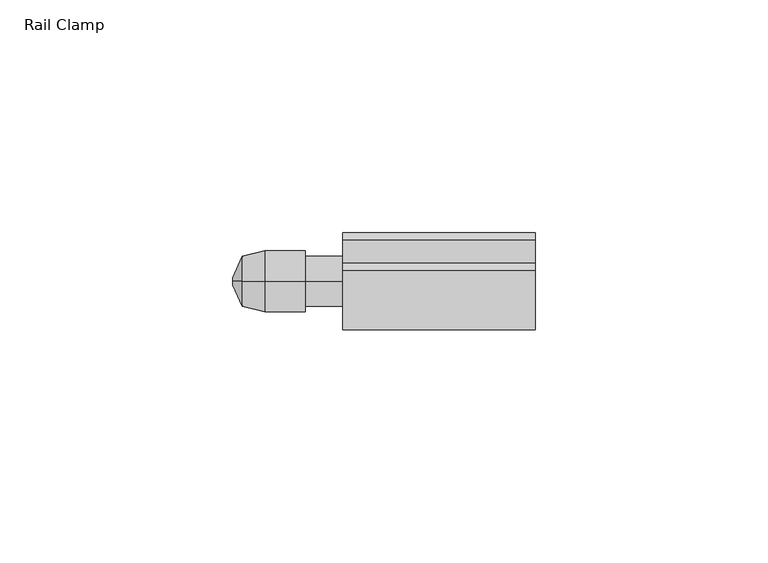
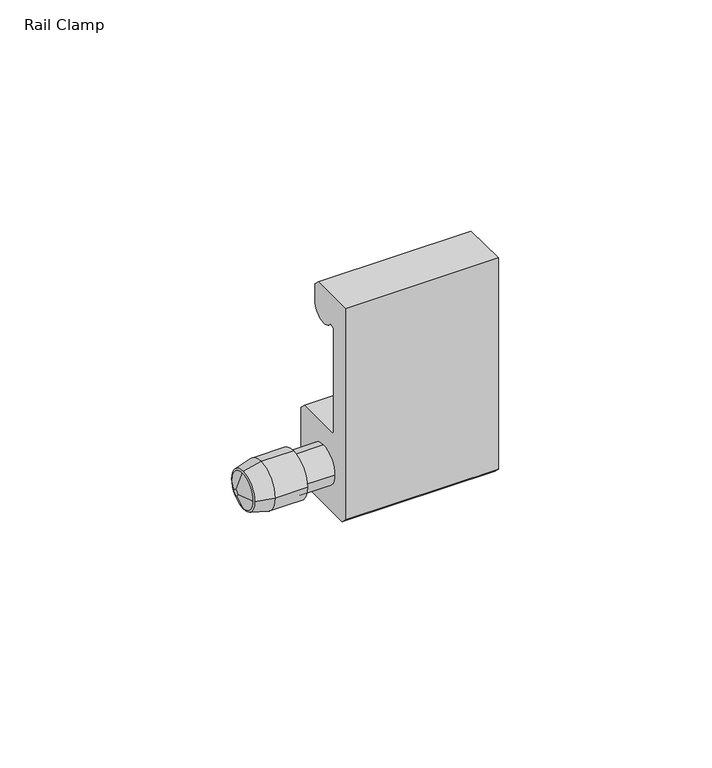
"""IFC4 building model written with IfcOpenShell, lengths in millimetres: furniture geometry, Rail Clamp."""

from ifc_helpers import new_model, si_unit, frame, origin, place, context, project, spatial, polyline, circle_curve, source, transform, mapped, element, save
from ifc_brep_helpers import plane_surface, cylinder_surface, revolved_surface, advanced_brep


def rail_clamp_02915167(model_context):
    return source(origin(), model_context, "Body", "AdvancedBrep", [
        advanced_brep(
        [(-42.2627645, -46.5617724, 1159.0443035), (-42.2627645, -41.2023724, 1164.4037035), (-42.2627645, -35.8429724, 1159.0443035), (-42.2627645, -41.2023724, 1153.6849035), (-37.4502448, -47.7301724, 1159.0443035), (-37.4502448, -41.2023724, 1152.5165035), (-37.4502448, -34.6745724, 1159.0443035), (-37.4502448, -41.2023724, 1165.5721035)],
        [
            (0, 1, circle_curve(frame((-42.2627645, -41.2023724, 1159.0443035), z_axis=(-1.0, 0.0, 3.1782723582535994e-12), x_axis=(0.0, -1.0, 7.182660263663921e-12)), 5.3594)),
            (1, 2, circle_curve(frame((-42.2627645, -41.2023724, 1159.0443035), z_axis=(-1.0, -3.1905776162778116e-12, 0.0), x_axis=(0.0, -7.42159956678814e-12, 1.0)), 5.3594)),
            (2, 3, circle_curve(frame((-42.2627645, -41.2023724, 1159.0443035), z_axis=(-1.0, 0.0, 1.6031993311544706e-12), x_axis=(0.0, 1.0, 6.60341346820409e-12)), 5.3594)),
            (3, 0, circle_curve(frame((-42.2627645, -41.2023724, 1159.0443035), z_axis=(-1.0, -1.5926519671337174e-12, 0.0), x_axis=(0.0, -6.5527293735887335e-12, -1.0)), 5.3594)),
            (4, 5, circle_curve(frame((-37.4502448, -41.2023724, 1159.0443035), z_axis=(1.0, 1.5926519671337174e-12, 0.0), x_axis=(0.0, -6.5527293735887335e-12, -1.0)), 6.5278)),
            (5, 6, circle_curve(frame((-37.4502448, -41.2023724, 1159.0443035), z_axis=(1.0, 0.0, -1.6031993311544706e-12), x_axis=(0.0, 1.0, 6.60341346820409e-12)), 6.5278)),
            (6, 7, circle_curve(frame((-37.4502448, -41.2023724, 1159.0443035), z_axis=(1.0, 3.1905776162778116e-12, 0.0), x_axis=(0.0, -7.42159956678814e-12, 1.0)), 6.5278)),
            (7, 4, circle_curve(frame((-37.4502448, -41.2023724, 1159.0443035), z_axis=(1.0, 0.0, -3.1782723582535994e-12), x_axis=(0.0, -1.0, 7.182660263663921e-12)), 6.5278)),
            (4, 0),
            (3, 5),
            (2, 6),
            (1, 7),
        ],
        [
            plane_surface(frame((-42.2627645, -41.2023724, 1159.0443035), z_axis=(-1.0, 0.0, 0.0), x_axis=(0.0, 0.0, -1.0))),
            plane_surface(frame((-37.4502448, -41.2023724, 1159.0443035), z_axis=(1.0, 0.0, 0.0), x_axis=(0.0, 0.0, -1.0))),
            revolved_surface(polyline([(-42.262764500008544, -41.2023724, 1153.6849035097323), (-37.4502448, -41.2023724, 1152.5165035)]), (-64.3375829, -41.2023724, 1159.0443035), (1.0, 1.5926519671337174e-12, 0.0)),
            revolved_surface(polyline([(-42.2627645, -35.84297240973024, 1159.0443035), (-37.450244799989534, -34.67457239999746, 1159.0443035)]), (-64.3375829, -41.2023724, 1159.0443035), (1.0, 0.0, -1.6031993311544706e-12)),
            revolved_surface(polyline([(-42.2627645, -41.2023724, 1164.4037034902697), (-37.450244799979174, -41.2023724, 1165.572103500005)]), (-64.3375829, -41.2023724, 1159.0443035), (1.0, 3.1905776162778116e-12, 0.0)),
            revolved_surface(polyline([(-42.26276450001704, -46.56177239026563, 1159.0443035), (-37.4502448, -47.7301724, 1159.0443035)]), (-64.3375829, -41.2023724, 1159.0443035), (1.0, 0.0, -3.1782723582535994e-12)),
        ],
        [
            (0, [[1, 2, 3, 4]]),
            (1, [[5, 6, 7, 8]]),
            (2, [[-5, 9, -4, 10]]),
            (3, [[-6, -10, -3, 11]]),
            (4, [[-7, -11, -2, 12]]),
            (5, [[-8, -12, -1, -9]]),
        ],
    ),
        advanced_brep(
        [(-20.6375, -30.8010724, 1149.3499982), (-20.6375, -32.3758712, 1147.7752), (-20.6375, -50.0288731, 1147.7752), (-20.6375, -51.6036724, 1149.3499982), (-20.6375, -51.6036724, 1209.6242), (-20.6375, -38.9100224, 1209.6242), (-20.6375, -37.3352224, 1208.0493995), (-20.6375, -37.3352224, 1203.2996001), (-20.6375, -44.603154, 1201.1146341), (-20.6375, -46.0474222, 1200.6804422), (-20.6375, -46.0474222, 1170.9460319), (-20.6375, -45.4521097, 1170.3507194), (-20.6375, -32.3758724, 1170.3507194), (-20.6375, -30.8010724, 1168.77592), (-20.6375, -46.5617724, 1159.0443035), (-20.6375, -41.2023724, 1153.6849035), (-20.6375, -35.8429724, 1159.0443035), (-20.6375, -41.2023724, 1164.4037035), (20.6375, -30.8010724, 1149.3499982), (20.6375, -30.8010724, 1168.77592), (20.6375, -32.3758724, 1170.3507194), (20.6375, -45.4521097, 1170.3507194), (20.6375, -46.0474222, 1170.9460319), (20.6375, -46.0474222, 1200.6804422), (20.6375, -44.603154, 1201.1146341), (20.6375, -37.3352224, 1203.2996001), (20.6375, -37.3352224, 1208.0493995), (20.6375, -38.9100224, 1209.6242), (20.6375, -51.6036724, 1209.6242), (20.6375, -51.6036724, 1149.3499982), (20.6375, -50.0288731, 1147.7752), (20.6375, -32.3758712, 1147.7752), (-28.6997615, -46.5617724, 1159.0443035), (-28.6997615, -41.2023724, 1153.6849035), (-28.6997615, -35.8429724, 1159.0443035), (-28.6997615, -41.2023724, 1164.4037035), (-28.6997615, -47.7301724, 1159.0443035), (-28.6997615, -41.2023724, 1152.5165035), (-28.6997615, -34.6745724, 1159.0443035), (-28.6997615, -41.2023724, 1165.5721035), (-37.4502448, -47.7301724, 1159.0443035), (-37.4502448, -41.2023724, 1165.5721035), (-37.4502448, -34.6745724, 1159.0443035), (-37.4502448, -41.2023724, 1152.5165035)],
        [
            (0, 1),
            (1, 2),
            (2, 3),
            (3, 4),
            (4, 5),
            (5, 6),
            (6, 7),
            (7, 8, circle_curve(frame((-20.6375, -41.2976225, 1203.2996001), z_axis=(-1.0, 0.0, 0.0), x_axis=(0.0, 1.0, 0.0)), 3.9624001)),
            (8, 9),
            (9, 10),
            (10, 11),
            (11, 12),
            (12, 13),
            (13, 0),
            (14, 15, circle_curve(frame((-20.6375, -41.2023724, 1159.0443035), z_axis=(1.0, 0.0, 0.0), x_axis=(0.0, 1.0, 0.0)), 5.3594)),
            (15, 16, circle_curve(frame((-20.6375, -41.2023724, 1159.0443035), z_axis=(1.0, 0.0, 0.0), x_axis=(0.0, 1.0, 0.0)), 5.3594)),
            (16, 17, circle_curve(frame((-20.6375, -41.2023724, 1159.0443035), z_axis=(1.0, 0.0, 0.0), x_axis=(0.0, 1.0, 0.0)), 5.3594)),
            (17, 14, circle_curve(frame((-20.6375, -41.2023724, 1159.0443035), z_axis=(1.0, 0.0, 0.0), x_axis=(0.0, 1.0, 0.0)), 5.3594)),
            (18, 19),
            (19, 20),
            (20, 21),
            (21, 22),
            (22, 23),
            (23, 24),
            (24, 25, circle_curve(frame((20.6375, -41.2976225, 1203.2996001), z_axis=(1.0, 0.0, 0.0), x_axis=(0.0, 1.0, 0.0)), 3.9624001)),
            (25, 26),
            (26, 27),
            (27, 28),
            (28, 29),
            (29, 30),
            (30, 31),
            (31, 18),
            (0, 18),
            (31, 1),
            (30, 2),
            (29, 3),
            (28, 4),
            (27, 5),
            (26, 6),
            (25, 7),
            (24, 8),
            (23, 9),
            (22, 10),
            (21, 11),
            (20, 12),
            (19, 13),
            (14, 32),
            (32, 33, circle_curve(frame((-28.6997615, -41.2023724, 1159.0443035), z_axis=(1.0, 0.0, 0.0), x_axis=(0.0, 1.0, 0.0)), 5.3594)),
            (33, 15),
            (33, 34, circle_curve(frame((-28.6997615, -41.2023724, 1159.0443035), z_axis=(1.0, 0.0, 0.0), x_axis=(0.0, 1.0, 0.0)), 5.3594)),
            (34, 16),
            (34, 35, circle_curve(frame((-28.6997615, -41.2023724, 1159.0443035), z_axis=(1.0, 0.0, 0.0), x_axis=(0.0, 1.0, 0.0)), 5.3594)),
            (35, 17),
            (35, 32, circle_curve(frame((-28.6997615, -41.2023724, 1159.0443035), z_axis=(1.0, 0.0, 0.0), x_axis=(0.0, 1.0, 0.0)), 5.3594)),
            (36, 37, circle_curve(frame((-28.6997615, -41.2023724, 1159.0443035), z_axis=(1.0, 0.0, 0.0), x_axis=(0.0, 1.0, 0.0)), 6.5278)),
            (37, 38, circle_curve(frame((-28.6997615, -41.2023724, 1159.0443035), z_axis=(1.0, 0.0, 0.0), x_axis=(0.0, 1.0, 0.0)), 6.5278)),
            (38, 39, circle_curve(frame((-28.6997615, -41.2023724, 1159.0443035), z_axis=(1.0, 0.0, 0.0), x_axis=(0.0, 1.0, 0.0)), 6.5278)),
            (39, 36, circle_curve(frame((-28.6997615, -41.2023724, 1159.0443035), z_axis=(1.0, 0.0, 0.0), x_axis=(0.0, 1.0, 0.0)), 6.5278)),
            (40, 41, circle_curve(frame((-37.4502448, -41.2023724, 1159.0443035), z_axis=(-1.0, 0.0, 0.0), x_axis=(0.0, 1.0, 0.0)), 6.5278)),
            (41, 42, circle_curve(frame((-37.4502448, -41.2023724, 1159.0443035), z_axis=(-1.0, 0.0, 0.0), x_axis=(0.0, 1.0, 0.0)), 6.5278)),
            (42, 43, circle_curve(frame((-37.4502448, -41.2023724, 1159.0443035), z_axis=(-1.0, 0.0, 0.0), x_axis=(0.0, 1.0, 0.0)), 6.5278)),
            (43, 40, circle_curve(frame((-37.4502448, -41.2023724, 1159.0443035), z_axis=(-1.0, 0.0, 0.0), x_axis=(0.0, 1.0, 0.0)), 6.5278)),
            (36, 40),
            (43, 37),
            (42, 38),
            (41, 39),
        ],
        [
            plane_surface(frame((-20.6375, -41.2023724, 1209.6242), z_axis=(-1.0, 0.0, 0.0), x_axis=(0.0, 0.0, 1.0))),
            plane_surface(frame((20.6375, -41.2023724, 1209.6242), z_axis=(1.0, 0.0, 0.0), x_axis=(0.0, 0.0, 1.0))),
            plane_surface(frame((-20.6375, -30.8010724, 1149.3499982), z_axis=(0.0, 0.7071066537262837, -0.7071069086467884), x_axis=(1.0, 0.0, 0.0))),
            plane_surface(frame((-20.6375, -32.3758712, 1147.7752), z_axis=(0.0, 0.0, -1.0), x_axis=(1.0, 0.0, 0.0))),
            plane_surface(frame((-20.6375, -50.0288731, 1147.7752), z_axis=(0.0, -0.7071065262660429, -0.7071070361069604), x_axis=(1.0, 0.0, 0.0))),
            plane_surface(frame((-20.6375, -51.6036724, 1149.3499982), z_axis=(0.0, -1.0, 0.0), x_axis=(1.0, 0.0, 0.0))),
            plane_surface(frame((-20.6375, -51.6036724, 1209.6242), z_axis=(0.0, 0.0, 1.0), x_axis=(1.0, 0.0, 0.0))),
            plane_surface(frame((-20.6375, -38.9100224, 1209.6242), z_axis=(0.0, 0.7071069046636025, 0.707106657709471), x_axis=(1.0, 0.0, 0.0))),
            plane_surface(frame((-20.6375, -37.3352224, 1208.0493995), z_axis=(0.0, 1.0, 0.0), x_axis=(1.0, 0.0, 0.0))),
            cylinder_surface(frame((-20.6375, -41.2976225, 1203.2996001), z_axis=(-1.0, 0.0, 0.0), x_axis=(0.0, 1.0, 0.0)), 3.9624001),
            plane_surface(frame((-20.6375, -44.603154, 1201.1146341), z_axis=(0.0, 0.2879022867565173, -0.9576597899464967), x_axis=(1.0, 0.0, 0.0))),
            plane_surface(frame((-20.6375, -46.0474222, 1200.6804422), z_axis=(0.0, 1.0, 0.0), x_axis=(1.0, 0.0, 0.0))),
            plane_surface(frame((-20.6375, -46.0474222, 1170.9460319), z_axis=(0.0, 0.7071067811865476, 0.7071067811865476), x_axis=(1.0, 0.0, 0.0))),
            plane_surface(frame((-20.6375, -45.4521097, 1170.3507194), z_axis=(0.0, 0.0, 1.0), x_axis=(1.0, 0.0, 0.0))),
            plane_surface(frame((-20.6375, -32.3758724, 1170.3507194), z_axis=(0.0, 0.7071066537262837, 0.7071069086467885), x_axis=(1.0, 0.0, 0.0))),
            plane_surface(frame((-20.6375, -30.8010724, 1168.77592), z_axis=(0.0, 1.0, 0.0), x_axis=(1.0, 0.0, 0.0))),
            cylinder_surface(frame((-28.6997615, -41.2023724, 1159.0443035), z_axis=(1.0, 0.0, 0.0), x_axis=(0.0, 1.0, 0.0)), 5.3594),
            plane_surface(frame((-28.6997615, -34.6745724, 1159.0443035), z_axis=(1.0, 0.0, 0.0), x_axis=(0.0, 0.0, 1.0))),
            plane_surface(frame((-37.4502448, -34.6745724, 1159.0443035), z_axis=(-1.0, 0.0, 0.0), x_axis=(0.0, 0.0, -1.0))),
            cylinder_surface(frame((-37.4502448, -41.2023724, 1159.0443035), z_axis=(1.0, 0.0, 0.0), x_axis=(0.0, 1.0, 0.0)), 6.5278),
        ],
        [
            (0, [[1, 2, 3, 4, 5, 6, 7, 8, 9, 10, 11, 12, 13, 14], [15, 16, 17, 18]]),
            (1, [[19, 20, 21, 22, 23, 24, 25, 26, 27, 28, 29, 30, 31, 32]]),
            (2, [[-1, 33, -32, 34]]),
            (3, [[-2, -34, -31, 35]]),
            (4, [[-3, -35, -30, 36]]),
            (5, [[-4, -36, -29, 37]]),
            (6, [[-5, -37, -28, 38]]),
            (7, [[-6, -38, -27, 39]]),
            (8, [[-7, -39, -26, 40]]),
            (9, [[-8, -40, -25, 41]]),
            (10, [[-9, -41, -24, 42]]),
            (11, [[-10, -42, -23, 43]]),
            (12, [[-11, -43, -22, 44]]),
            (13, [[-12, -44, -21, 45]]),
            (14, [[-13, -45, -20, 46]]),
            (15, [[-14, -46, -19, -33]]),
            (16, [[47, 48, 49, -15]]),
            (16, [[-49, 50, 51, -16]]),
            (16, [[-51, 52, 53, -17]]),
            (16, [[-47, -18, -53, 54]]),
            (17, [[55, 56, 57, 58], [-48, -54, -52, -50]]),
            (18, [[59, 60, 61, 62]]),
            (19, [[-55, 63, -62, 64]]),
            (19, [[-56, -64, -61, 65]]),
            (19, [[-57, -65, -60, 66]]),
            (19, [[-58, -66, -59, -63]]),
        ],
    ),
        advanced_brep(
        [(-44.2561748, -41.9961224, 1159.0443035), (-44.2561748, -41.2023724, 1159.8380535), (-44.2561748, -40.4086224, 1159.0443035), (-44.2561748, -41.2023724, 1158.2505535), (-42.2627645, -46.5617724, 1159.0443035), (-42.2627645, -41.2023724, 1153.6849035), (-42.2627645, -35.8429724, 1159.0443035), (-42.2627645, -41.2023724, 1164.4037035)],
        [
            (0, 1, circle_curve(frame((-44.2561748, -41.2023724, 1159.0443035), z_axis=(-1.0, 0.0, -1.0864468079069553e-12), x_axis=(0.0, -1.0, 0.0)), 0.79375)),
            (1, 2, circle_curve(frame((-44.2561748, -41.2023724, 1159.0443035), z_axis=(-1.0, 1.1203982706540478e-12, 0.0), x_axis=(0.0, 0.0, 1.0)), 0.79375)),
            (2, 3, circle_curve(frame((-44.2561748, -41.2023724, 1159.0443035), z_axis=(-1.0, 0.0, 3.870466753168528e-12), x_axis=(0.0, 1.0, 1.6898860614044648e-12)), 0.79375)),
            (3, 0, circle_curve(frame((-44.2561748, -41.2023724, 1159.0443035), z_axis=(-1.0, -3.92988181297594e-12, 0.0), x_axis=(0.0, -1.710268459075691e-12, -1.0)), 0.79375)),
            (4, 5, circle_curve(frame((-42.2627645, -41.2023724, 1159.0443035), z_axis=(1.0, 3.92988181297594e-12, 0.0), x_axis=(0.0, -1.710268459075691e-12, -1.0)), 5.3594)),
            (5, 6, circle_curve(frame((-42.2627645, -41.2023724, 1159.0443035), z_axis=(1.0, 0.0, -3.870466753168528e-12), x_axis=(0.0, 1.0, 1.6898860614044648e-12)), 5.3594)),
            (6, 7, circle_curve(frame((-42.2627645, -41.2023724, 1159.0443035), z_axis=(1.0, -1.1203982706540478e-12, 0.0), x_axis=(0.0, 0.0, 1.0)), 5.3594)),
            (7, 4, circle_curve(frame((-42.2627645, -41.2023724, 1159.0443035), z_axis=(1.0, 0.0, 1.0864468079069553e-12), x_axis=(0.0, -1.0, 0.0)), 5.3594)),
            (0, 4),
            (7, 1),
            (6, 2),
            (5, 3),
        ],
        [
            plane_surface(frame((-44.2561748, -41.2023724, 1159.0443035), z_axis=(-1.0, 0.0, 0.0), x_axis=(0.0, -1.0, 0.0))),
            plane_surface(frame((-42.2627645, -41.2023724, 1159.0443035), z_axis=(1.0, 0.0, 0.0), x_axis=(0.0, -1.0, 0.0))),
            revolved_surface(polyline([(-44.2561748, -41.99612238100404, 1159.0443035), (-42.26276449999418, -46.56177240001334, 1159.0443035)]), (-44.6027343, -41.2023724, 1159.0443035), (1.0, 0.0, 1.0864468079069553e-12)),
            revolved_surface(polyline([(-44.256174800000885, -41.2023724, 1159.8380534810021), (-42.2627645, -41.2023724, 1164.4037035)]), (-44.6027343, -41.2023724, 1159.0443035), (1.0, -1.1203982706540478e-12, 0.0)),
            revolved_surface(polyline([(-44.2561748, -40.40862241899596, 1159.0443035), (-42.26276449997926, -35.84297239995249, 1159.0443035)]), (-44.6027343, -41.2023724, 1159.0443035), (1.0, 0.0, -3.870466753168528e-12)),
            revolved_surface(polyline([(-44.256174800003116, -41.2023724, 1158.2505535190032), (-42.2627645, -41.2023724, 1153.6849035)]), (-44.6027343, -41.2023724, 1159.0443035), (1.0, 3.92988181297594e-12, 0.0)),
        ],
        [
            (0, [[1, 2, 3, 4]]),
            (1, [[5, 6, 7, 8]]),
            (2, [[-1, 9, -8, 10]]),
            (3, [[-2, -10, -7, 11]]),
            (4, [[-3, -11, -6, 12]]),
            (5, [[-4, -12, -5, -9]]),
        ],
    ),
    ])


if __name__ == "__main__":
    model = new_model("IFC4")
    model_context = context("Model", 3, world=origin())
    ifc_project = project(units=[si_unit("LENGTHUNIT", "METRE", prefix="MILLI")], contexts=[model_context])
    site = spatial("IfcSite", under=ifc_project)
    building = spatial("IfcBuilding", under=site)
    placement = place(None, origin())
    rail_clamp_shape = rail_clamp_02915167(model_context)
    element("IfcFurniture", 1, ObjectType="Rail Clamp", at=placement, inside=building, context=model_context, shape_type="MappedRepresentation", body=[
        mapped(rail_clamp_shape, transform((0.0, 0.0, 0.0), x_axis=(1.0, 0.0, 0.0), y_axis=(0.0, 1.0, 0.0), z_axis=(0.0, 0.0, 1.0))),
    ])
    save(model, "model.ifc")
